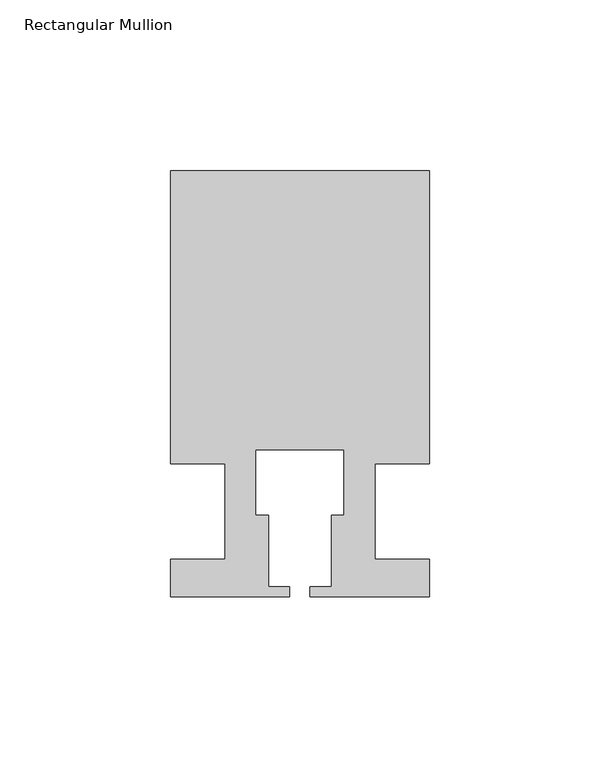
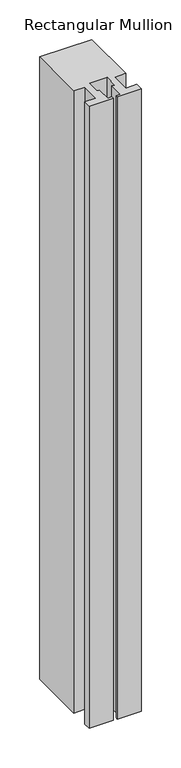
"""IFC4 building model written with IfcOpenShell, lengths in millimetres: member geometry, Rectangular Mullion."""

from ifc_helpers import new_model, si_unit, frame, origin, place, context, project, spatial, polyline, outline, extrude, source, transform, mapped, element, save


def rectangular_mullion_64230322(model_context):
    return source(origin(), model_context, "Body", "SweptSolid", [
        extrude(outline(polyline([(37.9999914, 99.9960123), (37.9999914, 13.9960123), (21.9999651, 13.9960123), (21.9999651, -14.0039877), (37.9999896, -14.0039877), (37.9999896, -25.0039877), (2.9999651, -25.0039877), (2.9999651, -22.0039877), (9.1999651, -22.0039877), (9.1999651, -1.0039877), (12.9999651, -1.0039877), (12.9999651, 18.1960075), (-12.9999633, 18.1960075), (-12.9999633, -1.0039877), (-9.1999633, -1.0039877), (-9.1999633, -22.0039877), (-2.9999896, -22.0039877), (-2.9999896, -25.0039877), (-37.9999896, -25.0039877), (-37.9999896, -14.0039877), (-21.9999633, -14.0039877), (-21.9999633, 13.9960123), (-37.9999896, 13.9960123), (-37.9999896, 99.9960123), (37.9999914, 99.9960123)])), frame((0.0, 0.0, -958.9865328), z_axis=(0.0, 0.0, 1.0), x_axis=(1.0, 0.0, 0.0)), (0.0, 0.0, 1.0), 958.9865328),
    ])


if __name__ == "__main__":
    model = new_model("IFC4")
    model_context = context("Model", 3, world=origin())
    ifc_project = project(units=[si_unit("LENGTHUNIT", "METRE", prefix="MILLI")], contexts=[model_context])
    site = spatial("IfcSite", under=ifc_project)
    building = spatial("IfcBuilding", under=site)
    placement = place(None, origin())
    rectangular_mullion_shape = rectangular_mullion_64230322(model_context)
    element("IfcMember", 1, ObjectType="Rectangular Mullion", at=placement, inside=building, context=model_context, shape_type="MappedRepresentation", body=[
        mapped(rectangular_mullion_shape, transform((0.0, 0.0, 0.0), x_axis=(1.0, 0.0, 0.0), y_axis=(0.0, 1.0, 0.0), z_axis=(0.0, 0.0, 1.0))),
    ])
    save(model, "model.ifc")
